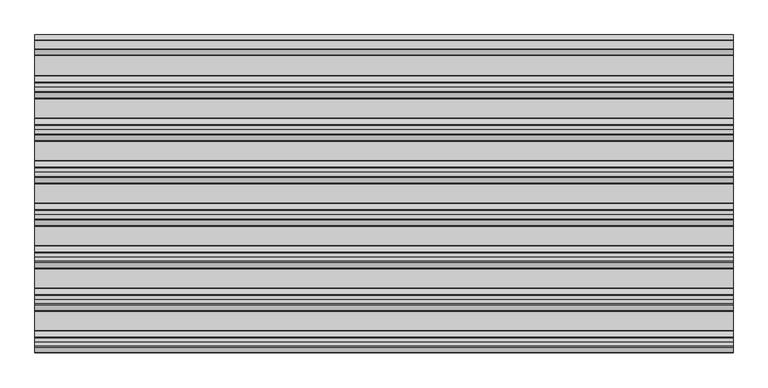
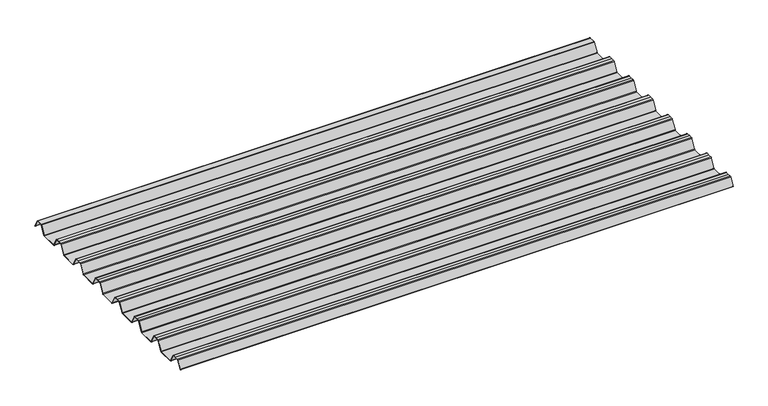
"""IFC4 building model written with IfcOpenShell, lengths in millimetres: beam geometry."""

from ifc_helpers import new_model, si_unit, point, frame, frame_2d, origin, place, context, project, spatial, polyline, circle_curve, trimmed, segment, composite_curve, outline, extrude, source, transform, mapped, element, save


def beam_9e61c816(model_context):
    return source(origin(), model_context, "Body", "SweptSolid", [
        extrude(outline(composite_curve([segment(trimmed(circle_curve(frame_2d((12.4202706, 6.454055)), 0.7571435), [point((13.1162593, 6.7521591))], [point((12.456054, 7.2103525))], True, "CARTESIAN"), True, "CONTINUOUS"), segment(polyline([(12.456054, 7.2103525), (-12.456054, 7.2103525)]), True, "CONTINUOUS"), segment(trimmed(circle_curve(frame_2d((-12.4202706, 6.454055)), 0.7571435), [point((-12.456054, 7.2103525))], [point((-13.1162593, 6.7521591))], True, "CARTESIAN"), True, "CONTINUOUS"), segment(polyline([(-13.1162593, 6.7521591), (-29.7452902, -24.2632513)]), True, "CONTINUOUS"), segment(trimmed(circle_curve(frame_2d((-32.2956191, -22.8958828)), 2.8937647), [point((-29.7452902, -24.2632513))], [point((-32.2956191, -25.7896475))], False, "CARTESIAN"), True, "CONTINUOUS"), segment(polyline([(-32.2956191, -25.7896475), (-92.0, -25.7896475)]), True, "CONTINUOUS"), segment(trimmed(circle_curve(frame_2d((-91.9202706, -22.03335)), 3.7571435), [point((-92.0, -25.7896475))], [point((-95.2893314, -23.6963464))], False, "CARTESIAN"), True, "CONTINUOUS"), segment(polyline([(-95.2893314, -23.6963464), (-112.0926736, 7.6441785)]), True, "CONTINUOUS"), segment(trimmed(circle_curve(frame_2d((-114.5797294, 6.454055)), 2.7571435), [point((-112.0926736, 7.6441785))], [point((-114.511431, 9.2103525))], True, "CARTESIAN"), True, "CONTINUOUS"), segment(polyline([(-114.511431, 9.2103525), (-127.0, 9.2103525), (-139.488569, 9.2103525)]), True, "CONTINUOUS"), segment(trimmed(circle_curve(frame_2d((-139.4202706, 6.454055)), 2.7571435), [point((-139.488569, 9.2103525))], [point((-141.9073264, 7.6441785))], True, "CARTESIAN"), True, "CONTINUOUS"), segment(polyline([(-141.9073264, 7.6441785), (-158.7106686, -23.6963464)]), True, "CONTINUOUS"), segment(trimmed(circle_curve(frame_2d((-162.0797294, -22.03335)), 3.7571435), [point((-158.7106686, -23.6963464))], [point((-162.0, -25.7896475))], False, "CARTESIAN"), True, "CONTINUOUS"), segment(polyline([(-162.0, -25.7896475), (-219.0, -25.7896475)]), True, "CONTINUOUS"), segment(trimmed(circle_curve(frame_2d((-218.9202706, -22.03335)), 3.7571435), [point((-219.0, -25.7896475))], [point((-222.2893314, -23.6963464))], False, "CARTESIAN"), True, "CONTINUOUS"), segment(polyline([(-222.2893314, -23.6963464), (-239.0926736, 7.6441785)]), True, "CONTINUOUS"), segment(trimmed(circle_curve(frame_2d((-241.5797294, 6.454055)), 2.7571435), [point((-239.0926736, 7.6441785))], [point((-241.511431, 9.2103525))], True, "CARTESIAN"), True, "CONTINUOUS"), segment(polyline([(-241.511431, 9.2103525), (-254.0, 9.2103525), (-266.488569, 9.2103525)]), True, "CONTINUOUS"), segment(trimmed(circle_curve(frame_2d((-266.4202706, 6.454055)), 2.7571435), [point((-266.488569, 9.2103525))], [point((-268.9073264, 7.6441785))], True, "CARTESIAN"), True, "CONTINUOUS"), segment(polyline([(-268.9073264, 7.6441785), (-285.7106686, -23.6963464)]), True, "CONTINUOUS"), segment(trimmed(circle_curve(frame_2d((-289.0797294, -22.03335)), 3.7571435), [point((-285.7106686, -23.6963464))], [point((-289.0, -25.7896475))], False, "CARTESIAN"), True, "CONTINUOUS"), segment(polyline([(-289.0, -25.7896475), (-346.0, -25.7896475)]), True, "CONTINUOUS"), segment(trimmed(circle_curve(frame_2d((-345.9202706, -22.03335)), 3.7571435), [point((-346.0, -25.7896475))], [point((-349.2893314, -23.6963464))], False, "CARTESIAN"), True, "CONTINUOUS"), segment(polyline([(-349.2893314, -23.6963464), (-366.0926736, 7.6441785)]), True, "CONTINUOUS"), segment(trimmed(circle_curve(frame_2d((-368.5797294, 6.454055)), 2.7571435), [point((-366.0926736, 7.6441785))], [point((-368.511431, 9.2103525))], True, "CARTESIAN"), True, "CONTINUOUS"), segment(polyline([(-368.511431, 9.2103525), (-381.0, 9.2103525), (-393.488569, 9.2103525)]), True, "CONTINUOUS"), segment(trimmed(circle_curve(frame_2d((-393.4202706, 6.454055)), 2.7571435), [point((-393.488569, 9.2103525))], [point((-395.9073264, 7.6441785))], True, "CARTESIAN"), True, "CONTINUOUS"), segment(polyline([(-395.9073264, 7.6441785), (-412.7106686, -23.6963464)]), True, "CONTINUOUS"), segment(trimmed(circle_curve(frame_2d((-416.0797294, -22.03335)), 3.7571435), [point((-412.7106686, -23.6963464))], [point((-416.0, -25.7896475))], False, "CARTESIAN"), True, "CONTINUOUS"), segment(polyline([(-416.0, -25.7896475), (-473.0, -25.7896475)]), True, "CONTINUOUS"), segment(trimmed(circle_curve(frame_2d((-472.9202706, -22.03335)), 3.7571435), [point((-473.0, -25.7896475))], [point((-476.2893314, -23.6963464))], False, "CARTESIAN"), True, "CONTINUOUS"), segment(polyline([(-476.2893314, -23.6963464), (-493.0926736, 7.6441785)]), True, "CONTINUOUS"), segment(trimmed(circle_curve(frame_2d((-495.5797294, 6.454055)), 2.7571435), [point((-493.0926736, 7.6441785))], [point((-495.511431, 9.2103525))], True, "CARTESIAN"), True, "CONTINUOUS"), segment(polyline([(-495.511431, 9.2103525), (-508.0, 9.2103525), (-520.488569, 9.2103525)]), True, "CONTINUOUS"), segment(trimmed(circle_curve(frame_2d((-520.4202706, 6.454055)), 2.7571435), [point((-520.488569, 9.2103525))], [point((-522.9073264, 7.6441785))], True, "CARTESIAN"), True, "CONTINUOUS"), segment(polyline([(-522.9073264, 7.6441785), (-539.7106686, -23.6963464)]), True, "CONTINUOUS"), segment(trimmed(circle_curve(frame_2d((-543.0797294, -22.03335)), 3.7571435), [point((-539.7106686, -23.6963464))], [point((-543.0, -25.7896475))], False, "CARTESIAN"), True, "CONTINUOUS"), segment(polyline([(-543.0, -25.7896475), (-600.0, -25.7896475)]), True, "CONTINUOUS"), segment(trimmed(circle_curve(frame_2d((-599.9202706, -22.03335)), 3.7571435), [point((-600.0, -25.7896475))], [point((-603.2893314, -23.6963464))], False, "CARTESIAN"), True, "CONTINUOUS"), segment(polyline([(-603.2893314, -23.6963464), (-620.0926736, 7.6441785)]), True, "CONTINUOUS"), segment(trimmed(circle_curve(frame_2d((-622.5797294, 6.454055)), 2.7571435), [point((-620.0926736, 7.6441785))], [point((-622.511431, 9.2103525))], True, "CARTESIAN"), True, "CONTINUOUS"), segment(polyline([(-622.511431, 9.2103525), (-635.0, 9.2103525), (-647.488569, 9.2103525)]), True, "CONTINUOUS"), segment(trimmed(circle_curve(frame_2d((-647.4202706, 6.454055)), 2.7571435), [point((-647.488569, 9.2103525))], [point((-649.9073264, 7.6441785))], True, "CARTESIAN"), True, "CONTINUOUS"), segment(polyline([(-649.9073264, 7.6441785), (-666.7106686, -23.6963464)]), True, "CONTINUOUS"), segment(trimmed(circle_curve(frame_2d((-670.0797294, -22.03335)), 3.7571435), [point((-666.7106686, -23.6963464))], [point((-670.0, -25.7896475))], False, "CARTESIAN"), True, "CONTINUOUS"), segment(polyline([(-670.0, -25.7896475), (-727.0, -25.7896475)]), True, "CONTINUOUS"), segment(trimmed(circle_curve(frame_2d((-726.9202706, -22.03335)), 3.7571435), [point((-727.0, -25.7896475))], [point((-730.2893314, -23.6963464))], False, "CARTESIAN"), True, "CONTINUOUS"), segment(polyline([(-730.2893314, -23.6963464), (-747.0926736, 7.6441785)]), True, "CONTINUOUS"), segment(trimmed(circle_curve(frame_2d((-749.5797294, 6.454055)), 2.7571435), [point((-747.0926736, 7.6441785))], [point((-749.511431, 9.2103525))], True, "CARTESIAN"), True, "CONTINUOUS"), segment(polyline([(-749.511431, 9.2103525), (-762.0, 9.2103525), (-774.488569, 9.2103525)]), True, "CONTINUOUS"), segment(trimmed(circle_curve(frame_2d((-774.4202706, 6.454055)), 2.7571435), [point((-774.488569, 9.2103525))], [point((-776.9073264, 7.6441785))], True, "CARTESIAN"), True, "CONTINUOUS"), segment(polyline([(-776.9073264, 7.6441785), (-793.7106686, -23.6963464)]), True, "CONTINUOUS"), segment(trimmed(circle_curve(frame_2d((-797.0797294, -22.03335)), 3.7571435), [point((-793.7106686, -23.6963464))], [point((-797.0, -25.7896475))], False, "CARTESIAN"), True, "CONTINUOUS"), segment(polyline([(-797.0, -25.7896475), (-854.0, -25.7896475)]), True, "CONTINUOUS"), segment(trimmed(circle_curve(frame_2d((-853.9202706, -22.03335)), 3.7571435), [point((-854.0, -25.7896475))], [point((-857.2893314, -23.6963464))], False, "CARTESIAN"), True, "CONTINUOUS"), segment(polyline([(-857.2893314, -23.6963464), (-874.0926736, 7.6441785)]), True, "CONTINUOUS"), segment(trimmed(circle_curve(frame_2d((-876.5797294, 6.454055)), 2.7571435), [point((-874.0926736, 7.6441785))], [point((-876.511431, 9.2103525))], True, "CARTESIAN"), True, "CONTINUOUS"), segment(polyline([(-876.511431, 9.2103525), (-889.0, 9.2103525), (-901.488569, 9.2103525)]), True, "CONTINUOUS"), segment(trimmed(circle_curve(frame_2d((-901.4202706, 6.454055)), 2.7571435), [point((-901.488569, 9.2103525))], [point((-903.9073264, 7.6441785))], True, "CARTESIAN"), True, "CONTINUOUS"), segment(polyline([(-903.9073264, 7.6441785), (-918.9585755, -20.4284536)]), True, "CONTINUOUS"), segment(trimmed(circle_curve(frame_2d((-919.3992348, -20.1921924)), 0.5), [point((-918.9585755, -20.4284536))], [point((-919.8398941, -19.9559313))], False, "CARTESIAN"), True, "CONTINUOUS"), segment(polyline([(-919.8398941, -19.9559313), (-904.7986379, 8.0980628)]), True, "CONTINUOUS"), segment(trimmed(circle_curve(frame_2d((-901.4202706, 6.454055)), 3.7571435), [point((-904.7986379, 8.0980628))], [point((-901.5, 10.2103525))], False, "CARTESIAN"), True, "CONTINUOUS"), segment(polyline([(-901.5, 10.2103525), (-889.0, 10.2103525), (-876.5, 10.2103525)]), True, "CONTINUOUS"), segment(trimmed(circle_curve(frame_2d((-876.5797294, 6.454055)), 3.7571435), [point((-876.5, 10.2103525))], [point((-873.2013621, 8.0980628))], False, "CARTESIAN"), True, "CONTINUOUS"), segment(polyline([(-873.2013621, 8.0980628), (-856.3994529, -23.2397892)]), True, "CONTINUOUS"), segment(trimmed(circle_curve(frame_2d((-853.9202706, -22.03335)), 2.7571435), [point((-856.3994529, -23.2397892))], [point((-853.988569, -24.7896475))], True, "CARTESIAN"), True, "CONTINUOUS"), segment(polyline([(-853.988569, -24.7896475), (-797.011431, -24.7896475)]), True, "CONTINUOUS"), segment(trimmed(circle_curve(frame_2d((-797.0797294, -22.03335)), 2.7571435), [point((-797.011431, -24.7896475))], [point((-794.6005471, -23.2397892))], True, "CARTESIAN"), True, "CONTINUOUS"), segment(polyline([(-794.6005471, -23.2397892), (-777.7986379, 8.0980628)]), True, "CONTINUOUS"), segment(trimmed(circle_curve(frame_2d((-774.4202706, 6.454055)), 3.7571435), [point((-777.7986379, 8.0980628))], [point((-774.5, 10.2103525))], False, "CARTESIAN"), True, "CONTINUOUS"), segment(polyline([(-774.5, 10.2103525), (-762.0, 10.2103525), (-749.5, 10.2103525)]), True, "CONTINUOUS"), segment(trimmed(circle_curve(frame_2d((-749.5797294, 6.454055)), 3.7571435), [point((-749.5, 10.2103525))], [point((-746.2013621, 8.0980628))], False, "CARTESIAN"), True, "CONTINUOUS"), segment(polyline([(-746.2013621, 8.0980628), (-729.3994529, -23.2397892)]), True, "CONTINUOUS"), segment(trimmed(circle_curve(frame_2d((-726.9202706, -22.03335)), 2.7571435), [point((-729.3994529, -23.2397892))], [point((-726.988569, -24.7896475))], True, "CARTESIAN"), True, "CONTINUOUS"), segment(polyline([(-726.988569, -24.7896475), (-670.011431, -24.7896475)]), True, "CONTINUOUS"), segment(trimmed(circle_curve(frame_2d((-670.0797294, -22.03335)), 2.7571435), [point((-670.011431, -24.7896475))], [point((-667.6005471, -23.2397892))], True, "CARTESIAN"), True, "CONTINUOUS"), segment(polyline([(-667.6005471, -23.2397892), (-650.7986379, 8.0980628)]), True, "CONTINUOUS"), segment(trimmed(circle_curve(frame_2d((-647.4202706, 6.454055)), 3.7571435), [point((-650.7986379, 8.0980628))], [point((-647.5, 10.2103525))], False, "CARTESIAN"), True, "CONTINUOUS"), segment(polyline([(-647.5, 10.2103525), (-635.0, 10.2103525), (-622.5, 10.2103525)]), True, "CONTINUOUS"), segment(trimmed(circle_curve(frame_2d((-622.5797294, 6.454055)), 3.7571435), [point((-622.5, 10.2103525))], [point((-619.2013621, 8.0980628))], False, "CARTESIAN"), True, "CONTINUOUS"), segment(polyline([(-619.2013621, 8.0980628), (-602.3994529, -23.2397892)]), True, "CONTINUOUS"), segment(trimmed(circle_curve(frame_2d((-599.9202706, -22.03335)), 2.7571435), [point((-602.3994529, -23.2397892))], [point((-599.988569, -24.7896475))], True, "CARTESIAN"), True, "CONTINUOUS"), segment(polyline([(-599.988569, -24.7896475), (-543.011431, -24.7896475)]), True, "CONTINUOUS"), segment(trimmed(circle_curve(frame_2d((-543.0797294, -22.03335)), 2.7571435), [point((-543.011431, -24.7896475))], [point((-540.6005471, -23.2397892))], True, "CARTESIAN"), True, "CONTINUOUS"), segment(polyline([(-540.6005471, -23.2397892), (-523.7986379, 8.0980628)]), True, "CONTINUOUS"), segment(trimmed(circle_curve(frame_2d((-520.4202706, 6.454055)), 3.7571435), [point((-523.7986379, 8.0980628))], [point((-520.5, 10.2103525))], False, "CARTESIAN"), True, "CONTINUOUS"), segment(polyline([(-520.5, 10.2103525), (-508.0, 10.2103525), (-495.5, 10.2103525)]), True, "CONTINUOUS"), segment(trimmed(circle_curve(frame_2d((-495.5797294, 6.454055)), 3.7571435), [point((-495.5, 10.2103525))], [point((-492.2013621, 8.0980628))], False, "CARTESIAN"), True, "CONTINUOUS"), segment(polyline([(-492.2013621, 8.0980628), (-475.3994529, -23.2397892)]), True, "CONTINUOUS"), segment(trimmed(circle_curve(frame_2d((-472.9202706, -22.03335)), 2.7571435), [point((-475.3994529, -23.2397892))], [point((-472.988569, -24.7896475))], True, "CARTESIAN"), True, "CONTINUOUS"), segment(polyline([(-472.988569, -24.7896475), (-416.011431, -24.7896475)]), True, "CONTINUOUS"), segment(trimmed(circle_curve(frame_2d((-416.0797294, -22.03335)), 2.7571435), [point((-416.011431, -24.7896475))], [point((-413.6005471, -23.2397892))], True, "CARTESIAN"), True, "CONTINUOUS"), segment(polyline([(-413.6005471, -23.2397892), (-396.7986379, 8.0980628)]), True, "CONTINUOUS"), segment(trimmed(circle_curve(frame_2d((-393.4202706, 6.454055)), 3.7571435), [point((-396.7986379, 8.0980628))], [point((-393.5, 10.2103525))], False, "CARTESIAN"), True, "CONTINUOUS"), segment(polyline([(-393.5, 10.2103525), (-381.0, 10.2103525), (-368.5, 10.2103525)]), True, "CONTINUOUS"), segment(trimmed(circle_curve(frame_2d((-368.5797294, 6.454055)), 3.7571435), [point((-368.5, 10.2103525))], [point((-365.2013621, 8.0980628))], False, "CARTESIAN"), True, "CONTINUOUS"), segment(polyline([(-365.2013621, 8.0980628), (-348.3994529, -23.2397892)]), True, "CONTINUOUS"), segment(trimmed(circle_curve(frame_2d((-345.9202706, -22.03335)), 2.7571435), [point((-348.3994529, -23.2397892))], [point((-345.988569, -24.7896475))], True, "CARTESIAN"), True, "CONTINUOUS"), segment(polyline([(-345.988569, -24.7896475), (-289.011431, -24.7896475)]), True, "CONTINUOUS"), segment(trimmed(circle_curve(frame_2d((-289.0797294, -22.03335)), 2.7571435), [point((-289.011431, -24.7896475))], [point((-286.6005471, -23.2397892))], True, "CARTESIAN"), True, "CONTINUOUS"), segment(polyline([(-286.6005471, -23.2397892), (-269.7986379, 8.0980628)]), True, "CONTINUOUS"), segment(trimmed(circle_curve(frame_2d((-266.4202706, 6.454055)), 3.7571435), [point((-269.7986379, 8.0980628))], [point((-266.5, 10.2103525))], False, "CARTESIAN"), True, "CONTINUOUS"), segment(polyline([(-266.5, 10.2103525), (-254.0, 10.2103525), (-241.5, 10.2103525)]), True, "CONTINUOUS"), segment(trimmed(circle_curve(frame_2d((-241.5797294, 6.454055)), 3.7571435), [point((-241.5, 10.2103525))], [point((-238.2013621, 8.0980628))], False, "CARTESIAN"), True, "CONTINUOUS"), segment(polyline([(-238.2013621, 8.0980628), (-221.3994529, -23.2397892)]), True, "CONTINUOUS"), segment(trimmed(circle_curve(frame_2d((-218.9202706, -22.03335)), 2.7571435), [point((-221.3994529, -23.2397892))], [point((-218.988569, -24.7896475))], True, "CARTESIAN"), True, "CONTINUOUS"), segment(polyline([(-218.988569, -24.7896475), (-162.011431, -24.7896475)]), True, "CONTINUOUS"), segment(trimmed(circle_curve(frame_2d((-162.0797294, -22.03335)), 2.7571435), [point((-162.011431, -24.7896475))], [point((-159.6005471, -23.2397892))], True, "CARTESIAN"), True, "CONTINUOUS"), segment(polyline([(-159.6005471, -23.2397892), (-142.7986379, 8.0980628)]), True, "CONTINUOUS"), segment(trimmed(circle_curve(frame_2d((-139.4202706, 6.454055)), 3.7571435), [point((-142.7986379, 8.0980628))], [point((-139.5, 10.2103525))], False, "CARTESIAN"), True, "CONTINUOUS"), segment(polyline([(-139.5, 10.2103525), (-127.0, 10.2103525), (-114.5, 10.2103525)]), True, "CONTINUOUS"), segment(trimmed(circle_curve(frame_2d((-114.5797294, 6.454055)), 3.7571435), [point((-114.5, 10.2103525))], [point((-111.2013621, 8.0980628))], False, "CARTESIAN"), True, "CONTINUOUS"), segment(polyline([(-111.2013621, 8.0980628), (-94.3994529, -23.2397892)]), True, "CONTINUOUS"), segment(trimmed(circle_curve(frame_2d((-91.9202706, -22.03335)), 2.7571435), [point((-94.3994529, -23.2397892))], [point((-91.988569, -24.7896475))], True, "CARTESIAN"), True, "CONTINUOUS"), segment(polyline([(-91.988569, -24.7896475), (-32.2956191, -24.7896475)]), True, "CONTINUOUS"), segment(trimmed(circle_curve(frame_2d((-32.2956191, -22.8958828)), 1.8937647), [point((-32.2956191, -24.7896475))], [point((-30.6266089, -23.790729))], True, "CARTESIAN"), True, "CONTINUOUS"), segment(polyline([(-30.6266089, -23.790729), (-14.013963, 7.1941212)]), True, "CONTINUOUS"), segment(trimmed(circle_curve(frame_2d((-12.4202706, 6.454055)), 1.7571435), [point((-14.013963, 7.1941212))], [point((-12.4747918, 8.2103525))], False, "CARTESIAN"), True, "CONTINUOUS"), segment(polyline([(-12.4747918, 8.2103525), (12.4747918, 8.2103525)]), True, "CONTINUOUS"), segment(trimmed(circle_curve(frame_2d((12.4202706, 6.454055)), 1.7571435), [point((12.4747918, 8.2103525))], [point((14.013963, 7.1941212))], False, "CARTESIAN"), True, "CONTINUOUS"), segment(polyline([(14.013963, 7.1941212), (29.5895021, -21.8563833)]), True, "CONTINUOUS"), segment(trimmed(circle_curve(frame_2d((29.1488427, -22.0926445)), 0.5), [point((29.5895021, -21.8563833))], [point((28.7081834, -22.3289057))], False, "CARTESIAN"), True, "CONTINUOUS"), segment(polyline([(28.7081834, -22.3289057), (13.1162593, 6.7521591)]), True, "CONTINUOUS")], self_intersect=False)), frame((-1043.236838, 0.0, 0.0), z_axis=(1.0, 0.0, 0.0), x_axis=(0.0, 1.0, 0.0)), (0.0, 0.0, 1.0), 2086.4736761),
    ])


if __name__ == "__main__":
    model = new_model("IFC4")
    model_context = context("Model", 3, world=origin())
    ifc_project = project(units=[si_unit("LENGTHUNIT", "METRE", prefix="MILLI")], contexts=[model_context])
    site = spatial("IfcSite", under=ifc_project)
    building = spatial("IfcBuilding", under=site)
    placement = place(None, origin())
    beam_shape = beam_9e61c816(model_context)
    element("IfcBeam", 1, at=placement, inside=building, context=model_context, shape_type="MappedRepresentation", body=[
        mapped(beam_shape, transform((0.0, 0.0, 0.0), x_axis=(1.0, 0.0, 0.0), y_axis=(0.0, 1.0, 0.0), z_axis=(0.0, 0.0, 1.0))),
    ])
    save(model, "model.ifc")
